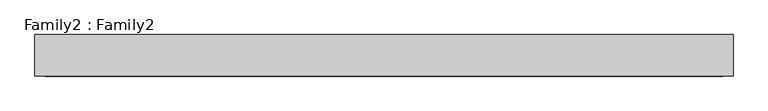
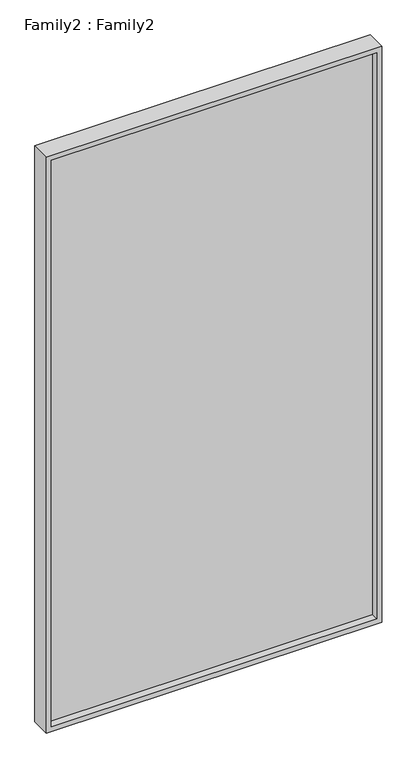
"""IFC4 building model written with IfcOpenShell, lengths in millimetres: plate geometry, Family2 : Family2."""

from ifc_helpers import new_model, si_unit, frame, origin, place, context, project, spatial, polyline, outline, extrude, source, transform, mapped, element, save


def family2_family2_012ca80f(model_context):
    return source(origin(), model_context, "Body", "SweptSolid", [
        extrude(outline(polyline([(2450.0, -675.0), (0.0, -675.0), (0.0, 675.0), (2450.0, 675.0), (2450.0, -675.0)]), holes=[polyline([(20.0, -655.0), (2430.0, -655.0), (2430.0, 655.0), (20.0, 655.0), (20.0, -655.0)])]), frame((0.0, -40.0, 0.0), z_axis=(0.0, 1.0, 0.0), x_axis=(0.0, 0.0, 1.0)), (0.0, 0.0, 1.0), 80.0),
        extrude(outline(polyline([(655.0, -10.0), (-655.0, -10.0), (-655.0, 10.0), (655.0, 10.0), (655.0, -10.0)])), frame((0.0, 0.0, 20.0), z_axis=(0.0, 0.0, 1.0), x_axis=(1.0, 0.0, 0.0)), (0.0, 0.0, 1.0), 2410.0),
    ])


if __name__ == "__main__":
    model = new_model("IFC4")
    model_context = context("Model", 3, world=origin())
    ifc_project = project(units=[si_unit("LENGTHUNIT", "METRE", prefix="MILLI")], contexts=[model_context])
    site = spatial("IfcSite", under=ifc_project)
    building = spatial("IfcBuilding", under=site)
    placement = place(None, origin())
    family2_family2_shape = family2_family2_012ca80f(model_context)
    element("IfcPlate", 1, ObjectType="Family2 : Family2", at=placement, inside=building, context=model_context, shape_type="MappedRepresentation", body=[
        mapped(family2_family2_shape, transform((0.0, 0.0, 0.0), x_axis=(1.0, 0.0, 0.0), y_axis=(0.0, 1.0, 0.0), z_axis=(0.0, 0.0, 1.0))),
    ])
    save(model, "model.ifc")
